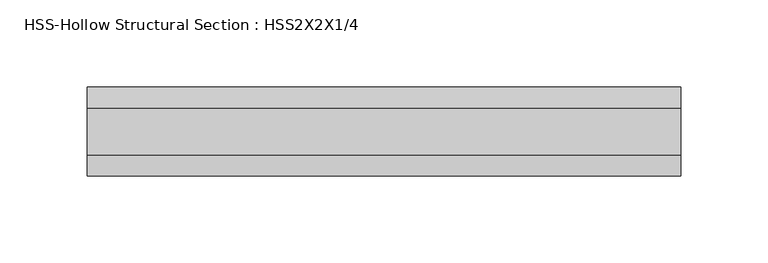
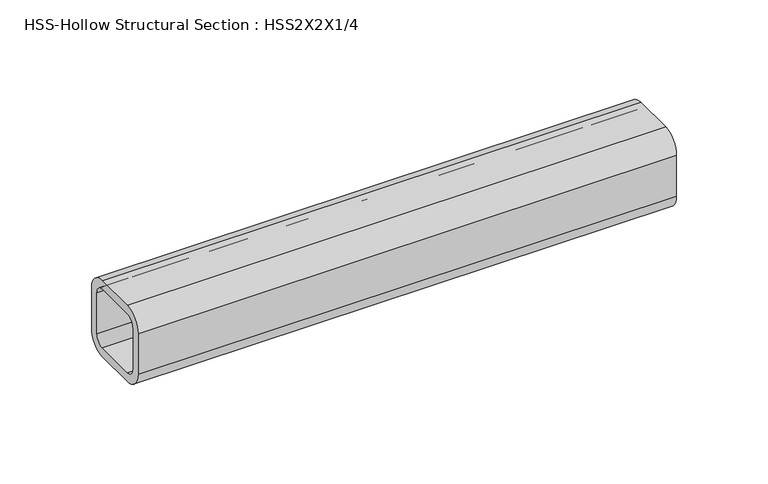
"""IFC4 building model written with IfcOpenShell, lengths in millimetres: beam geometry, HSS-Hollow Structural Section : HSS2X2X1/4."""

from ifc_helpers import new_model, si_unit, point, frame, frame_2d, origin, place, context, project, spatial, polyline, circle_curve, trimmed, segment, composite_curve, outline, extrude, source, transform, mapped, element, save


def hss_hollow_structural_section_hss2x2x1_4_36b56d99(model_context):
    return source(origin(), model_context, "Body", "SweptSolid", [
        extrude(outline(composite_curve([segment(polyline([(25.4, 13.5636), (25.4, -13.5636)]), True, "CONTINUOUS"), segment(trimmed(circle_curve(frame_2d((13.5636, -13.5636)), 11.8364), [point((25.4, -13.5636))], [point((13.5636, -25.4))], False, "CARTESIAN"), True, "CONTINUOUS"), segment(polyline([(13.5636, -25.4), (-13.5636, -25.4)]), True, "CONTINUOUS"), segment(trimmed(circle_curve(frame_2d((-13.5636, -13.5636)), 11.8364), [point((-13.5636, -25.4))], [point((-25.4, -13.5636))], False, "CARTESIAN"), True, "CONTINUOUS"), segment(polyline([(-25.4, -13.5636), (-25.4, 13.5636)]), True, "CONTINUOUS"), segment(trimmed(circle_curve(frame_2d((-13.5636, 13.5636)), 11.8364), [point((-25.4, 13.5636))], [point((-13.5636, 25.4))], False, "CARTESIAN"), True, "CONTINUOUS"), segment(polyline([(-13.5636, 25.4), (13.5636, 25.4)]), True, "CONTINUOUS"), segment(trimmed(circle_curve(frame_2d((13.5636, 13.5636)), 11.8364), [point((13.5636, 25.4))], [point((25.4, 13.5636))], False, "CARTESIAN"), True, "CONTINUOUS")], self_intersect=False), holes=[composite_curve([segment(trimmed(circle_curve(frame_2d((-13.5636, 13.5636)), 5.9182), [point((-13.5636, 19.4818))], [point((-19.4818, 13.5636))], True, "CARTESIAN"), True, "CONTINUOUS"), segment(polyline([(-19.4818, 13.5636), (-19.4818, -13.5636)]), True, "CONTINUOUS"), segment(trimmed(circle_curve(frame_2d((-13.5636, -13.5636)), 5.9182), [point((-19.4818, -13.5636))], [point((-13.5636, -19.4818))], True, "CARTESIAN"), True, "CONTINUOUS"), segment(polyline([(-13.5636, -19.4818), (13.5636, -19.4818)]), True, "CONTINUOUS"), segment(trimmed(circle_curve(frame_2d((13.5636, -13.5636)), 5.9182), [point((13.5636, -19.4818))], [point((19.4818, -13.5636))], True, "CARTESIAN"), True, "CONTINUOUS"), segment(polyline([(19.4818, -13.5636), (19.4818, 13.5636)]), True, "CONTINUOUS"), segment(trimmed(circle_curve(frame_2d((13.5636, 13.5636)), 5.9182), [point((19.4818, 13.5636))], [point((13.5636, 19.4818))], True, "CARTESIAN"), True, "CONTINUOUS"), segment(polyline([(13.5636, 19.4818), (-13.5636, 19.4818)]), True, "CONTINUOUS")], self_intersect=False)]), frame((-182.5625, 0.0, 0.0), z_axis=(1.0, 0.0, 0.0), x_axis=(0.0, 1.0, 0.0)), (0.0, 0.0, 1.0), 339.725),
    ])


if __name__ == "__main__":
    model = new_model("IFC4")
    model_context = context("Model", 3, world=origin())
    ifc_project = project(units=[si_unit("LENGTHUNIT", "METRE", prefix="MILLI")], contexts=[model_context])
    site = spatial("IfcSite", under=ifc_project)
    building = spatial("IfcBuilding", under=site)
    placement = place(None, origin())
    hss_hollow_structural_section_hss2x2x1_4_shape = hss_hollow_structural_section_hss2x2x1_4_36b56d99(model_context)
    element("IfcBeam", 1, ObjectType="HSS-Hollow Structural Section : HSS2X2X1/4", at=placement, inside=building, context=model_context, shape_type="MappedRepresentation", body=[
        mapped(hss_hollow_structural_section_hss2x2x1_4_shape, transform((0.0, 0.0, 0.0), x_axis=(1.0, 0.0, 0.0), y_axis=(0.0, 1.0, 0.0), z_axis=(0.0, 0.0, 1.0))),
    ])
    save(model, "model.ifc")
